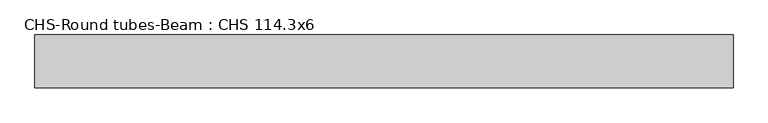
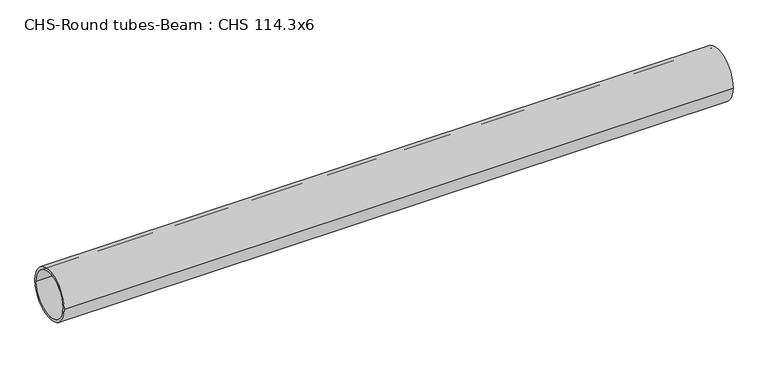
"""IFC4 building model written with IfcOpenShell, lengths in millimetres: beam geometry, CHS-Round tubes-Beam : CHS 114.3x6."""

from ifc_helpers import new_model, si_unit, point, frame, origin, origin_2d, place, context, project, spatial, circle_curve, trimmed, segment, composite_curve, outline, extrude, source, transform, mapped, element, save


def chs_round_tubes_beam_chs_114_3x6_1086e39d(model_context):
    return source(origin(), model_context, "Body", "SweptSolid", [
        extrude(outline(composite_curve([segment(trimmed(circle_curve(origin_2d(), 57.15), [point((57.15, 0.0))], [point((-57.15, 0.0))], False, "CARTESIAN"), True, "CONTINUOUS"), segment(trimmed(circle_curve(origin_2d(), 57.15), [point((-57.15, 0.0))], [point((57.15, 0.0))], False, "CARTESIAN"), True, "CONTINUOUS")], self_intersect=False), holes=[composite_curve([segment(trimmed(circle_curve(origin_2d(), 51.15), [point((51.15, 0.0))], [point((-51.15, 0.0))], True, "CARTESIAN"), True, "CONTINUOUS"), segment(trimmed(circle_curve(origin_2d(), 51.15), [point((-51.15, 0.0))], [point((51.15, 0.0))], True, "CARTESIAN"), True, "CONTINUOUS")], self_intersect=False)]), frame((-763.2444046, 0.0, 0.0), z_axis=(1.0, 0.0, 0.0), x_axis=(0.0, 1.0, 0.0)), (0.0, 0.0, 1.0), 1506.1862223),
    ])


if __name__ == "__main__":
    model = new_model("IFC4")
    model_context = context("Model", 3, world=origin())
    ifc_project = project(units=[si_unit("LENGTHUNIT", "METRE", prefix="MILLI")], contexts=[model_context])
    site = spatial("IfcSite", under=ifc_project)
    building = spatial("IfcBuilding", under=site)
    placement = place(None, origin())
    chs_round_tubes_beam_chs_114_3x6_shape = chs_round_tubes_beam_chs_114_3x6_1086e39d(model_context)
    element("IfcBeam", 1, ObjectType="CHS-Round tubes-Beam : CHS 114.3x6", at=placement, inside=building, context=model_context, shape_type="MappedRepresentation", body=[
        mapped(chs_round_tubes_beam_chs_114_3x6_shape, transform((0.0, 0.0, 0.0), x_axis=(1.0, 0.0, 0.0), y_axis=(0.0, 1.0, 0.0), z_axis=(0.0, 0.0, 1.0))),
    ])
    save(model, "model.ifc")
